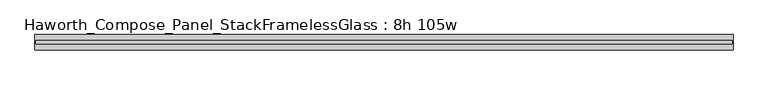
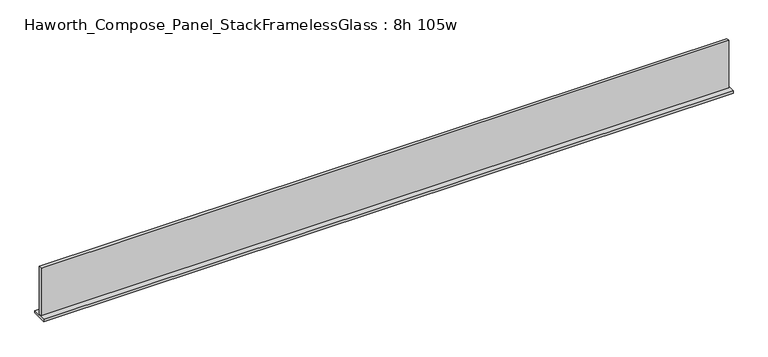
"""IFC4 building model written with IfcOpenShell, lengths in millimetres: furniture geometry, Haworth_Compose_Panel_StackFramelessGlass : 8h 105w."""

from ifc_helpers import new_model, si_unit, frame, origin, place, context, project, spatial, polyline, outline, extrude, source, transform, mapped, element, save


def haworth_compose_panel_stackframelessglass_8h_105w_be3d8455(model_context):
    return source(origin(), model_context, "Body", "SweptSolid", [
        extrude(outline(polyline([(1332.7652902, -27.3093594), (-1327.8847098, -27.3093594), (-1327.8847098, -14.6093594), (1332.7652902, -14.6093594), (1332.7652902, -27.3093594)])), frame((0.0, 0.0, 1279.525), z_axis=(0.0, 0.0, 1.0), x_axis=(1.0, 0.0, 0.0)), (0.0, 0.0, 1.0), 193.675),
        extrude(outline(polyline([(-1331.0597098, -50.3281094), (-1331.0597098, 8.4093906), (1335.9402902, 8.4093906), (1335.9402902, -50.3281094), (-1331.0597098, -50.3281094)])), frame((0.0, 0.0, 1270.0), z_axis=(0.0, 0.0, 1.0), x_axis=(1.0, 0.0, 0.0)), (0.0, 0.0, 1.0), 9.525),
    ])


if __name__ == "__main__":
    model = new_model("IFC4")
    model_context = context("Model", 3, world=origin())
    ifc_project = project(units=[si_unit("LENGTHUNIT", "METRE", prefix="MILLI")], contexts=[model_context])
    site = spatial("IfcSite", under=ifc_project)
    building = spatial("IfcBuilding", under=site)
    placement = place(None, origin())
    haworth_compose_panel_stackframelessglass_8h_105w_shape = haworth_compose_panel_stackframelessglass_8h_105w_be3d8455(model_context)
    element("IfcFurniture", 1, ObjectType="Haworth_Compose_Panel_StackFramelessGlass : 8h 105w", at=placement, inside=building, context=model_context, shape_type="MappedRepresentation", body=[
        mapped(haworth_compose_panel_stackframelessglass_8h_105w_shape, transform((0.0, 0.0, 0.0), x_axis=(1.0, 0.0, 0.0), y_axis=(0.0, 1.0, 0.0), z_axis=(0.0, 0.0, 1.0))),
    ])
    save(model, "model.ifc")
